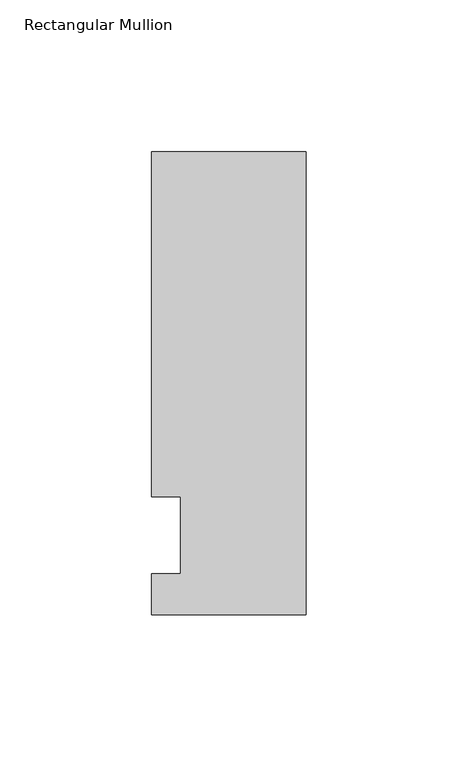
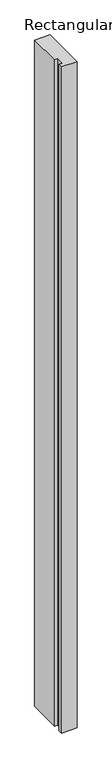
"""IFC4 building model written with IfcOpenShell, lengths in millimetres: member geometry, Rectangular Mullion."""

from ifc_helpers import new_model, si_unit, frame, origin, place, context, project, spatial, polyline, outline, extrude, source, transform, mapped, element, save


def rectangular_mullion_342fc23f(model_context):
    return source(origin(), model_context, "Body", "SweptSolid", [
        extrude(outline(polyline([(-50.8, -26.19375), (-50.8, -12.7), (-41.275, -12.7), (-41.275, 12.7), (-50.8, 12.7), (-50.8, 126.20625), (0.0, 126.20625), (0.0, -26.19375), (-50.8, -26.19375)])), frame((0.0, 0.0, -2311.4), z_axis=(0.0, 0.0, 1.0), x_axis=(1.0, 0.0, 0.0)), (0.0, 0.0, 1.0), 2311.4),
    ])


if __name__ == "__main__":
    model = new_model("IFC4")
    model_context = context("Model", 3, world=origin())
    ifc_project = project(units=[si_unit("LENGTHUNIT", "METRE", prefix="MILLI")], contexts=[model_context])
    site = spatial("IfcSite", under=ifc_project)
    building = spatial("IfcBuilding", under=site)
    placement = place(None, origin())
    rectangular_mullion_shape = rectangular_mullion_342fc23f(model_context)
    element("IfcMember", 1, ObjectType="Rectangular Mullion", at=placement, inside=building, context=model_context, shape_type="MappedRepresentation", body=[
        mapped(rectangular_mullion_shape, transform((0.0, 0.0, 0.0), x_axis=(1.0, 0.0, 0.0), y_axis=(0.0, 1.0, 0.0), z_axis=(0.0, 0.0, 1.0))),
    ])
    save(model, "model.ifc")
